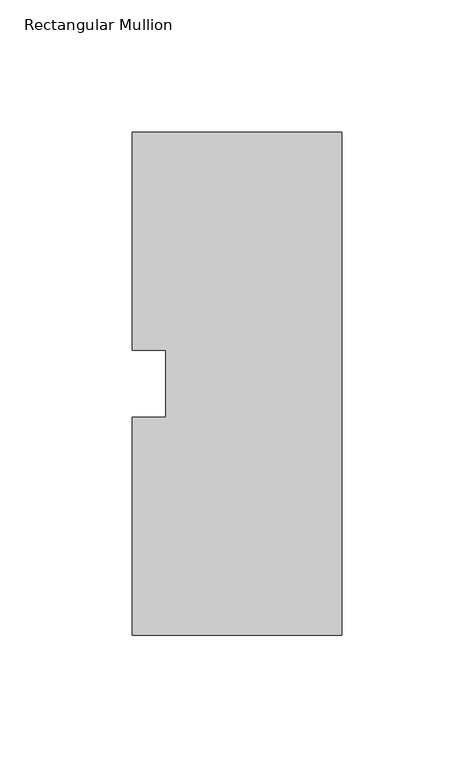
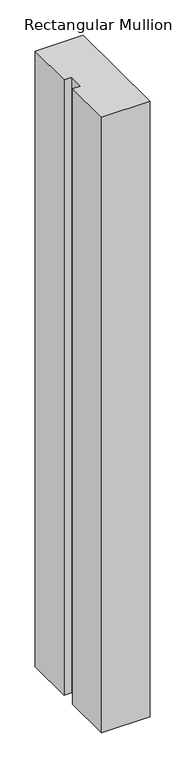
"""IFC4 building model written with IfcOpenShell, lengths in millimetres: member geometry, Rectangular Mullion."""

from ifc_helpers import new_model, si_unit, frame, origin, place, context, project, spatial, polyline, outline, extrude, source, transform, mapped, element, save


def rectangular_mullion_8e8af293(model_context):
    return source(origin(), model_context, "Body", "SweptSolid", [
        extrude(outline(polyline([(-79.375, 95.25), (0.0, 95.25), (0.0, -95.25), (-79.375, -95.25), (-79.375, -12.7), (-66.6732296, -12.7), (-66.6732296, 12.7), (-79.375, 12.7), (-79.375, 95.25)])), frame((0.0, 0.0, -1071.1344027), z_axis=(0.0, 0.0, 1.0), x_axis=(1.0, 0.0, 0.0)), (0.0, 0.0, 1.0), 1071.1344027),
    ])


if __name__ == "__main__":
    model = new_model("IFC4")
    model_context = context("Model", 3, world=origin())
    ifc_project = project(units=[si_unit("LENGTHUNIT", "METRE", prefix="MILLI")], contexts=[model_context])
    site = spatial("IfcSite", under=ifc_project)
    building = spatial("IfcBuilding", under=site)
    placement = place(None, origin())
    rectangular_mullion_shape = rectangular_mullion_8e8af293(model_context)
    element("IfcMember", 1, ObjectType="Rectangular Mullion", at=placement, inside=building, context=model_context, shape_type="MappedRepresentation", body=[
        mapped(rectangular_mullion_shape, transform((0.0, 0.0, 0.0), x_axis=(1.0, 0.0, 0.0), y_axis=(0.0, 1.0, 0.0), z_axis=(0.0, 0.0, 1.0))),
    ])
    save(model, "model.ifc")
